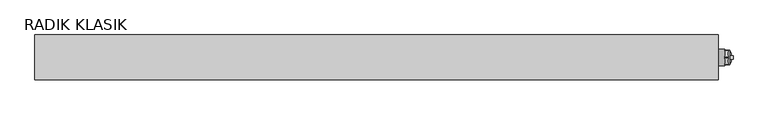
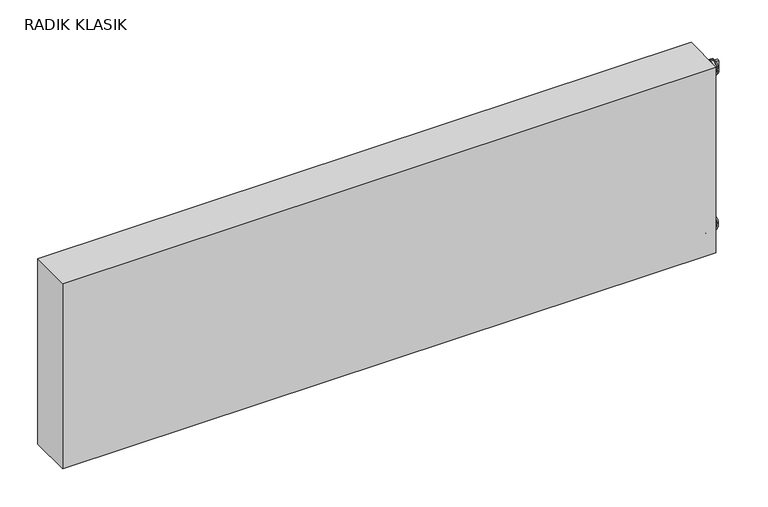
"""IFC4 building model written with IfcOpenShell, lengths in millimetres: proxy geometry, RADIK KLASIK."""

import ifcopenshell
import ifcopenshell.guid

model = None  # the IFC model being written
_history = None  # IfcOwnerHistory: only IFC2X3 demands one
_inside = {}  # id of a spatial element -> (the spatial element, [elements in it])
_under = {}  # id of a project, library or spatial element -> (it, [spatial elements below it])
_declared = {}  # id of a project -> (the project, [libraries it declares])
_typed = {}  # id of a type object -> (the type object, [elements of that type])
_made_of = {}  # id of a material, layer set ... -> (it, [elements and type objects made of it])


def new_model(schema):
    """Start an empty IFC model of exactly this schema.

    Asked for "IFC4X3", IfcOpenShell would pick the latest addendum, in which some entities
    have other attributes; the version numbers below select the first issue.
    IFC2X3 requires an IfcOwnerHistory on every rooted entity: one is made here for all.
    """
    global model, _history
    if schema == "IFC4X3":
        model = ifcopenshell.file(schema_version=(4, 3, 0, 0))
    else:
        model = ifcopenshell.file(schema=schema)
    _inside.clear()
    _under.clear()
    _declared.clear()
    _typed.clear()
    _made_of.clear()
    _history = None
    if model.schema == "IFC2X3":
        org = make("IfcOrganization", Name="unknown")
        user = make(
            "IfcPersonAndOrganization",
            ThePerson=make("IfcPerson", FamilyName="unknown"),
            TheOrganization=org,
        )
        app = make(
            "IfcApplication",
            ApplicationDeveloper=org,
            Version="unknown",
            ApplicationFullName="unknown",
            ApplicationIdentifier="unknown",
        )
        _history = make(
            "IfcOwnerHistory",
            OwningUser=user,
            OwningApplication=app,
            ChangeAction="ADDED",
            CreationDate=0,
        )
    return model


def make(cls, **values):
    """One entity of the class cls with the attributes given. An attribute that is None is left unset."""
    return model.create_entity(
        cls, **{name: value for name, value in values.items() if value is not None}
    )


def rooted(cls, **values):
    """An entity with a GlobalId (a new one), such as an element, a storey or a relation."""
    return make(cls, GlobalId=ifcopenshell.guid.new(), OwnerHistory=_history, **values)


def si_unit(unit_type, name, prefix=None):
    """IfcSIUnit, for example si_unit("LENGTHUNIT", "METRE", prefix="MILLI")."""
    return make("IfcSIUnit", UnitType=unit_type, Prefix=prefix, Name=name)


def assignment(units):
    """IfcUnitAssignment: the units of a project."""
    return None if units is None else make("IfcUnitAssignment", Units=units)


def point(xyz):
    """IfcCartesianPoint."""
    return None if xyz is None else make("IfcCartesianPoint", Coordinates=xyz)


def direction(xyz):
    """IfcDirection."""
    return None if xyz is None else make("IfcDirection", DirectionRatios=xyz)


def frame(location, z_axis=None, x_axis=None):
    """IfcAxis2Placement3D, a coordinate frame: its origin and axes. An axis left out is left unset."""
    return make(
        "IfcAxis2Placement3D",
        Location=point(location),
        Axis=direction(z_axis),
        RefDirection=direction(x_axis),
    )


def frame_2d(location, x_axis=None):
    """IfcAxis2Placement2D, a coordinate frame in the plane: its origin and x axis."""
    return make(
        "IfcAxis2Placement2D", Location=point(location), RefDirection=direction(x_axis)
    )


def origin():
    """The frame at (0, 0, 0) with its axes left unset."""
    return frame((0.0, 0.0, 0.0))


def place(relative_to, where):
    """IfcLocalPlacement: puts the frame where relative to a parent placement (None: the world)."""
    return make(
        "IfcLocalPlacement", PlacementRelTo=relative_to, RelativePlacement=where
    )


def context(
    kind, dimensions, precision=None, world=None, true_north=None, identifier=None
):
    """IfcGeometricRepresentationContext, for example the 3D "Model" context."""
    return make(
        "IfcGeometricRepresentationContext",
        ContextIdentifier=identifier,
        ContextType=kind,
        CoordinateSpaceDimension=dimensions,
        Precision=precision,
        WorldCoordinateSystem=world,
        TrueNorth=true_north,
    )


def project(units=None, contexts=None):
    """IfcProject with its units and contexts."""
    return rooted(
        "IfcProject",
        Name="project",
        RepresentationContexts=contexts,
        UnitsInContext=assignment(units),
    )


def spatial(cls, under=None, at=None, **own):
    """A site, building, storey or space (cls), placed at a placement, below another one or the project."""
    s = rooted(cls, ObjectPlacement=at, **own)
    if under is not None:
        _under.setdefault(under.id(), (under, []))[1].append(s)
    return s


def polyline(points):
    """IfcPolyline through the points."""
    return make("IfcPolyline", Points=[point(p) for p in points])


def circle_curve(where, radius):
    """IfcCircle in the frame where."""
    return make("IfcCircle", Position=where, Radius=radius)


def ellipse_curve(where, semi_axis1, semi_axis2):
    """IfcEllipse in the frame where."""
    return make(
        "IfcEllipse", Position=where, SemiAxis1=semi_axis1, SemiAxis2=semi_axis2
    )


def trimmed(basis, trim1, trim2, sense, master):
    """IfcTrimmedCurve: the piece of a basis curve between two trims."""
    return make(
        "IfcTrimmedCurve",
        BasisCurve=basis,
        Trim1=trim1,
        Trim2=trim2,
        SenseAgreement=sense,
        MasterRepresentation=master,
    )


def segment(curve, same_sense, transition):
    """IfcCompositeCurveSegment."""
    return make(
        "IfcCompositeCurveSegment",
        Transition=transition,
        SameSense=same_sense,
        ParentCurve=curve,
    )


def composite_curve(segments, self_intersect=None):
    """IfcCompositeCurve: segments joined end to end."""
    return make("IfcCompositeCurve", Segments=segments, SelfIntersect=self_intersect)


def outline(outer, holes=None, kind="AREA"):
    """IfcArbitraryClosedProfileDef: a profile drawn as a closed curve; with holes, ...WithVoids."""
    if holes is None:
        return make("IfcArbitraryClosedProfileDef", ProfileType=kind, OuterCurve=outer)
    return make(
        "IfcArbitraryProfileDefWithVoids",
        ProfileType=kind,
        OuterCurve=outer,
        InnerCurves=holes,
    )


def extrude(swept, where, along, depth):
    """IfcExtrudedAreaSolid: the profile swept, set in the frame where, extruded along a direction by depth."""
    return make(
        "IfcExtrudedAreaSolid",
        SweptArea=swept,
        Position=where,
        ExtrudedDirection=direction(along),
        Depth=depth,
    )


def shape(context_of_items, identifier, shape_type, items):
    """IfcShapeRepresentation: the items that make up one representation, for example the "Body"."""
    return make(
        "IfcShapeRepresentation",
        ContextOfItems=context_of_items,
        RepresentationIdentifier=identifier,
        RepresentationType=shape_type,
        Items=items,
    )


def source(mapping_origin, context_of_items, identifier, shape_type, items):
    """IfcRepresentationMap: a shape defined once, which mapped items show again and again."""
    return make(
        "IfcRepresentationMap",
        MappingOrigin=mapping_origin,
        MappedRepresentation=shape(context_of_items, identifier, shape_type, items),
    )


def transform(
    local_origin,
    x_axis=None,
    y_axis=None,
    z_axis=None,
    scale=None,
    scale2=None,
    scale3=None,
    uniform=True,
):
    """IfcCartesianTransformationOperator3D, or its non-uniform kind. x_axis, y_axis, z_axis: its Axis1, 2, 3."""
    if uniform:
        return make(
            "IfcCartesianTransformationOperator3D",
            Axis1=direction(x_axis),
            Axis2=direction(y_axis),
            LocalOrigin=point(local_origin),
            Scale=scale,
            Axis3=direction(z_axis),
        )
    return make(
        "IfcCartesianTransformationOperator3DnonUniform",
        Axis1=direction(x_axis),
        Axis2=direction(y_axis),
        LocalOrigin=point(local_origin),
        Scale=scale,
        Axis3=direction(z_axis),
        Scale2=scale2,
        Scale3=scale3,
    )


def mapped(mapping_source, mapping_target):
    """IfcMappedItem: shows the shape of a source again, moved by a transform."""
    return make(
        "IfcMappedItem", MappingSource=mapping_source, MappingTarget=mapping_target
    )


def made_of(thing, what):
    """Note that an element or type object is made of a material, layer set ...; save() writes the relation."""
    if what is not None:
        _made_of.setdefault(what.id(), (what, []))[1].append(thing)
    return thing


def element(
    cls,
    number,
    at=None,
    inside=None,
    cuts=None,
    type_object=None,
    material=None,
    context=None,
    identifier="Body",
    shape_type=None,
    held_by="IfcProductDefinitionShape",
    body=None,
    shapes=None,
    **own,
):
    """One element of the class cls, such as IfcWall. Its Tag is "e" and its number.

    at: its placement. inside: the storey or other place that contains it. cuts: it is an
    opening in that element (IfcRelVoidsElement). A single representation is given by context,
    identifier, shape_type and body (its items); several are given by shapes. held_by: the class
    of the entity that holds the representations. save() writes the other relations.
    """
    e = rooted(cls, Tag="e%d" % number, ObjectPlacement=at, **own)
    if body is not None:
        shapes = [shape(context, identifier, shape_type, body)]
    if shapes is not None:
        e.Representation = make(held_by, Representations=shapes)
    if inside is not None:
        _inside.setdefault(inside.id(), (inside, []))[1].append(e)
    if cuts is not None:
        rooted(
            "IfcRelVoidsElement", RelatingBuildingElement=cuts, RelatedOpeningElement=e
        )
    if type_object is not None:
        _typed.setdefault(type_object.id(), (type_object, []))[1].append(e)
    return made_of(e, material)


def aggregate(whole, parts):
    """IfcRelAggregates: a whole, such as a stair, and the parts it consists of."""
    return rooted("IfcRelAggregates", RelatingObject=whole, RelatedObjects=parts)


def save(model, path):
    """Write the relations noted so far, then the file.

    IfcRelAggregates (storeys below a building ...), IfcRelContainedInSpatialStructure (elements
    in a storey), IfcRelDefinesByType, IfcRelAssociatesMaterial and IfcRelDeclares: one each for
    every whole, place, type object, material and project.
    """
    for whole, parts in _under.values():
        aggregate(whole, parts)
    for where, things in _inside.values():
        rooted(
            "IfcRelContainedInSpatialStructure",
            RelatedElements=things,
            RelatingStructure=where,
        )
    for kind, things in _typed.values():
        rooted("IfcRelDefinesByType", RelatedObjects=things, RelatingType=kind)
    for what, things in _made_of.values():
        rooted("IfcRelAssociatesMaterial", RelatedObjects=things, RelatingMaterial=what)
    for by, libraries in _declared.values():
        rooted("IfcRelDeclares", RelatingContext=by, RelatedDefinitions=libraries)
    model.write(path)


def plane_surface(at):
    """IfcPlane: the flat surface through the origin of the frame at, square to its z axis."""
    return make("IfcPlane", Position=at)


def revolved_surface(curve, axis_point, axis_direction):
    """IfcSurfaceOfRevolution: the curve turned about the line through axis_point along axis_direction."""
    return make(
        "IfcSurfaceOfRevolution",
        SweptCurve=make("IfcArbitraryOpenProfileDef", ProfileType="CURVE", Curve=curve),
        AxisPosition=make("IfcAxis1Placement", Location=point(axis_point), Axis=direction(axis_direction)),
    )


def advanced_brep(points, edges, surfaces, faces):
    """IfcAdvancedBrep: a solid bounded by faces that lie on surfaces and meet in shared edges.

    An edge is (start, end): straight between two places in points (the first is 0);
    or (start, end, curve); or (start, end, curve, False) where it runs against its curve.
    A face is (place in surfaces, loops), or (place, loops, False) where it looks against
    its surface's normal. A loop lists edges by number (the first is 1), with a minus sign
    where the edge is run from its end to its start. The first loop is the outer one.
    """
    corners = [point(p) for p in points]
    vertices = [make("IfcVertexPoint", VertexGeometry=c) for c in corners]
    made = []
    for start, end, *more in edges:
        made.append(
            make(
                "IfcEdgeCurve",
                EdgeStart=vertices[start],
                EdgeEnd=vertices[end],
                EdgeGeometry=more[0] if more else make("IfcPolyline", Points=[corners[start], corners[end]]),
                SameSense=more[1] if len(more) > 1 else True,
            )
        )
    hull = []
    for where, loops, *sense in faces:
        bounds = []
        for j, loop in enumerate(loops):
            ring = [make("IfcOrientedEdge", EdgeElement=made[abs(k) - 1], Orientation=k > 0) for k in loop]
            bounds.append(
                make(
                    "IfcFaceOuterBound" if j == 0 else "IfcFaceBound",
                    Bound=make("IfcEdgeLoop", EdgeList=ring),
                    Orientation=True,
                )
            )
        hull.append(make("IfcAdvancedFace", Bounds=bounds, FaceSurface=surfaces[where], SameSense=sense[0] if sense else True))
    return make("IfcAdvancedBrep", Outer=make("IfcClosedShell", CfsFaces=hull))


def radik_klasik_f6fdd73d(model_context):
    return source(origin(), model_context, "Body", "SolidModel", [
        advanced_brep(
        [(515.0, 33.0, 114.2179803), (519.9999931, 33.0, 125.0), (515.0, 33.0, 135.7820197), (515.0, 33.0, 125.0)],
        [
            (0, 1, ellipse_curve(frame((515.0, 33.0, 125.0179803), z_axis=(0.0, -1.0, 0.0), x_axis=(0.0, 0.0, -1.0)), 10.8, 5.0)),
            (1, 2, ellipse_curve(frame((515.0, 33.0, 124.9820197), z_axis=(0.0, -1.0, 0.0), x_axis=(0.0, 0.0, 1.0)), 10.8, 5.0)),
            (2, 0, circle_curve(frame((515.0, 33.0, 125.0), z_axis=(1.0, 0.0, 0.0), x_axis=(0.0, 0.0, 1.0)), 10.7820197)),
            (0, 2, circle_curve(frame((515.0, 33.0, 125.0), z_axis=(1.0, 0.0, 0.0), x_axis=(0.0, 0.0, 1.0)), 10.7820197)),
            (3, 0),
            (2, 3),
        ],
        [
            revolved_surface(trimmed(ellipse_curve(frame((515.0, 33.0, 124.9820197), z_axis=(0.0, -1.0, 0.0), x_axis=(0.0, 0.0, 1.0)), 10.8, 5.0), [point((519.9999931, 33.0, 125.0))], [point((515.0, 33.0, 135.7820197))], True, "CARTESIAN"), (524.1201305, 33.0, 125.0), (-1.0, 0.0, 0.0)),
            plane_surface(frame((515.0, 33.0, 125.0), z_axis=(-1.0, 0.0, 0.0), x_axis=(0.0, 0.0, 1.0))),
        ],
        [
            (0, [[1, 2, 3]]),
            (0, [[-2, -1, 4]]),
            (1, [[5, -3, 6]]),
            (1, [[-6, -4, -5]]),
        ],
    ),
        extrude(outline(composite_curve([segment(trimmed(circle_curve(frame_2d((33.0, 125.0)), 12.0), [point((42.8970066, 131.7859606))], [point((43.8253175, 130.1780788))], False, "CARTESIAN"), True, "CONTINUOUS"), segment(polyline([(43.8253175, 130.1780788), (43.8253175, 119.8219212)]), True, "CONTINUOUS"), segment(trimmed(circle_curve(frame_2d((33.0, 125.0)), 12.0), [point((43.8253175, 119.8219212))], [point((42.8970066, 118.2140394))], False, "CARTESIAN"), True, "CONTINUOUS"), segment(polyline([(42.8970066, 118.2140394), (33.928311, 113.0359606)]), True, "CONTINUOUS"), segment(trimmed(circle_curve(frame_2d((33.0, 125.0)), 12.0), [point((33.928311, 113.0359606))], [point((32.071689, 113.0359606))], False, "CARTESIAN"), True, "CONTINUOUS"), segment(polyline([(32.071689, 113.0359606), (23.1029934, 118.2140394)]), True, "CONTINUOUS"), segment(trimmed(circle_curve(frame_2d((33.0, 125.0)), 12.0), [point((23.1029934, 118.2140394))], [point((22.1746825, 119.8219212))], False, "CARTESIAN"), True, "CONTINUOUS"), segment(polyline([(22.1746825, 119.8219212), (22.1746825, 130.1780788)]), True, "CONTINUOUS"), segment(trimmed(circle_curve(frame_2d((33.0, 125.0)), 12.0), [point((22.1746825, 130.1780788))], [point((23.1029934, 131.7859606))], False, "CARTESIAN"), True, "CONTINUOUS"), segment(polyline([(23.1029934, 131.7859606), (32.071689, 136.9640394)]), True, "CONTINUOUS"), segment(trimmed(circle_curve(frame_2d((33.0, 125.0)), 12.0), [point((32.071689, 136.9640394))], [point((33.928311, 136.9640394))], False, "CARTESIAN"), True, "CONTINUOUS"), segment(polyline([(33.928311, 136.9640394), (42.8970066, 131.7859606)]), True, "CONTINUOUS")], self_intersect=False)), frame((510.0, 0.0, 0.0), z_axis=(1.0, 0.0, 0.0), x_axis=(0.0, 1.0, 0.0)), (0.0, 0.0, 1.0), 5.0),
        extrude(outline(composite_curve([segment(trimmed(circle_curve(frame_2d((33.0, 125.0)), 12.0), [point((45.0, 125.0))], [point((21.0, 125.0))], False, "CARTESIAN"), True, "CONTINUOUS"), segment(trimmed(circle_curve(frame_2d((33.0, 125.0)), 12.0), [point((21.0, 125.0))], [point((45.0, 125.0))], False, "CARTESIAN"), True, "CONTINUOUS")], self_intersect=False)), frame((500.0, 0.0, 0.0), z_axis=(1.0, 0.0, 0.0), x_axis=(0.0, 1.0, 0.0)), (0.0, 0.0, 1.0), 10.0),
        extrude(outline(composite_curve([segment(trimmed(circle_curve(frame_2d((33.2, 375.0)), 1.5), [point((33.2, 376.5))], [point((33.2, 373.5))], False, "CARTESIAN"), True, "CONTINUOUS"), segment(polyline([(33.2, 373.5), (33.2, 376.5)]), True, "CONTINUOUS")], self_intersect=False)), frame((500.0, 0.0, 0.0), z_axis=(1.0, 0.0, 0.0), x_axis=(0.0, 1.0, 0.0)), (0.0, 0.0, 1.0), 22.0),
        extrude(outline(composite_curve([segment(polyline([(32.8, 376.5), (32.8, 373.5)]), True, "CONTINUOUS"), segment(trimmed(circle_curve(frame_2d((32.8, 375.0)), 1.5), [point((32.8, 373.5))], [point((32.8, 376.5))], False, "CARTESIAN"), True, "CONTINUOUS")], self_intersect=False)), frame((500.0, 0.0, 0.0), z_axis=(1.0, 0.0, 0.0), x_axis=(0.0, 1.0, 0.0)), (0.0, 0.0, 1.0), 22.0),
        extrude(outline(composite_curve([segment(trimmed(circle_curve(frame_2d((33.0, 370.330127)), 5.0), [point((35.5, 366.0))], [point((30.5, 366.0))], False, "CARTESIAN"), True, "CONTINUOUS"), segment(polyline([(30.5, 366.0), (30.5, 384.0)]), True, "CONTINUOUS"), segment(trimmed(circle_curve(frame_2d((33.0, 379.669873)), 5.0), [point((30.5, 384.0))], [point((35.5, 384.0))], False, "CARTESIAN"), True, "CONTINUOUS"), segment(polyline([(35.5, 384.0), (35.5, 366.0)]), True, "CONTINUOUS")], self_intersect=False), holes=[composite_curve([segment(trimmed(circle_curve(frame_2d((33.0, 375.0)), 2.0), [point((35.0, 375.0))], [point((31.0, 375.0))], True, "CARTESIAN"), True, "CONTINUOUS"), segment(trimmed(circle_curve(frame_2d((33.0, 375.0)), 2.0), [point((31.0, 375.0))], [point((35.0, 375.0))], True, "CARTESIAN"), True, "CONTINUOUS")], self_intersect=False)]), frame((517.0, 0.0, 0.0), z_axis=(1.0, 0.0, 0.0), x_axis=(0.0, 1.0, 0.0)), (0.0, 0.0, 1.0), 5.0),
        extrude(outline(composite_curve([segment(trimmed(circle_curve(frame_2d((33.0, 375.0)), 10.8253175), [point((43.8253175, 375.0))], [point((22.1746825, 375.0))], False, "CARTESIAN"), True, "CONTINUOUS"), segment(trimmed(circle_curve(frame_2d((33.0, 375.0)), 10.8253175), [point((22.1746825, 375.0))], [point((43.8253175, 375.0))], False, "CARTESIAN"), True, "CONTINUOUS")], self_intersect=False)), frame((515.0, 0.0, 0.0), z_axis=(1.0, 0.0, 0.0), x_axis=(0.0, 1.0, 0.0)), (0.0, 0.0, 1.0), 2.0),
        extrude(outline(composite_curve([segment(trimmed(circle_curve(frame_2d((33.0, 375.0)), 12.0), [point((42.8970066, 381.7859606))], [point((43.8253175, 380.1780788))], False, "CARTESIAN"), True, "CONTINUOUS"), segment(polyline([(43.8253175, 380.1780788), (43.8253175, 369.8219212)]), True, "CONTINUOUS"), segment(trimmed(circle_curve(frame_2d((33.0, 375.0)), 12.0), [point((43.8253175, 369.8219212))], [point((42.8970066, 368.2140394))], False, "CARTESIAN"), True, "CONTINUOUS"), segment(polyline([(42.8970066, 368.2140394), (33.928311, 363.0359606)]), True, "CONTINUOUS"), segment(trimmed(circle_curve(frame_2d((33.0, 375.0)), 12.0), [point((33.928311, 363.0359606))], [point((32.071689, 363.0359606))], False, "CARTESIAN"), True, "CONTINUOUS"), segment(polyline([(32.071689, 363.0359606), (23.1029934, 368.2140394)]), True, "CONTINUOUS"), segment(trimmed(circle_curve(frame_2d((33.0, 375.0)), 12.0), [point((23.1029934, 368.2140394))], [point((22.1746825, 369.8219212))], False, "CARTESIAN"), True, "CONTINUOUS"), segment(polyline([(22.1746825, 369.8219212), (22.1746825, 380.1780788)]), True, "CONTINUOUS"), segment(trimmed(circle_curve(frame_2d((33.0, 375.0)), 12.0), [point((22.1746825, 380.1780788))], [point((23.1029934, 381.7859606))], False, "CARTESIAN"), True, "CONTINUOUS"), segment(polyline([(23.1029934, 381.7859606), (32.071689, 386.9640394)]), True, "CONTINUOUS"), segment(trimmed(circle_curve(frame_2d((33.0, 375.0)), 12.0), [point((32.071689, 386.9640394))], [point((33.928311, 386.9640394))], False, "CARTESIAN"), True, "CONTINUOUS"), segment(polyline([(33.928311, 386.9640394), (42.8970066, 381.7859606)]), True, "CONTINUOUS")], self_intersect=False)), frame((510.0, 0.0, 0.0), z_axis=(1.0, 0.0, 0.0), x_axis=(0.0, 1.0, 0.0)), (0.0, 0.0, 1.0), 5.0),
        extrude(outline(composite_curve([segment(trimmed(circle_curve(frame_2d((33.0, 375.0)), 12.0), [point((45.0, 375.0))], [point((21.0, 375.0))], False, "CARTESIAN"), True, "CONTINUOUS"), segment(trimmed(circle_curve(frame_2d((33.0, 375.0)), 12.0), [point((21.0, 375.0))], [point((45.0, 375.0))], False, "CARTESIAN"), True, "CONTINUOUS")], self_intersect=False)), frame((500.0, 0.0, 0.0), z_axis=(1.0, 0.0, 0.0), x_axis=(0.0, 1.0, 0.0)), (0.0, 0.0, 1.0), 10.0),
        extrude(outline(polyline([(500.0, 0.0), (-500.0, 0.0), (-500.0, 66.0), (500.0, 66.0), (500.0, 0.0)])), frame((0.0, 0.0, 100.0), z_axis=(0.0, 0.0, 1.0), x_axis=(1.0, 0.0, 0.0)), (0.0, 0.0, 1.0), 300.0),
    ])


if __name__ == "__main__":
    model = new_model("IFC4")
    model_context = context("Model", 3, world=origin())
    ifc_project = project(units=[si_unit("LENGTHUNIT", "METRE", prefix="MILLI")], contexts=[model_context])
    site = spatial("IfcSite", under=ifc_project)
    building = spatial("IfcBuilding", under=site)
    placement = place(None, origin())
    radik_klasik_shape = radik_klasik_f6fdd73d(model_context)
    element("IfcBuildingElementProxy", 1, Name="RADIK KLASIK", ObjectType="RADIK KLASIK", at=placement, inside=building, context=model_context, shape_type="MappedRepresentation", body=[
        mapped(radik_klasik_shape, transform((0.0, 0.0, 0.0), x_axis=(1.0, 0.0, 0.0), y_axis=(0.0, 1.0, 0.0), z_axis=(0.0, 0.0, 1.0))),
    ])
    save(model, "model.ifc")
